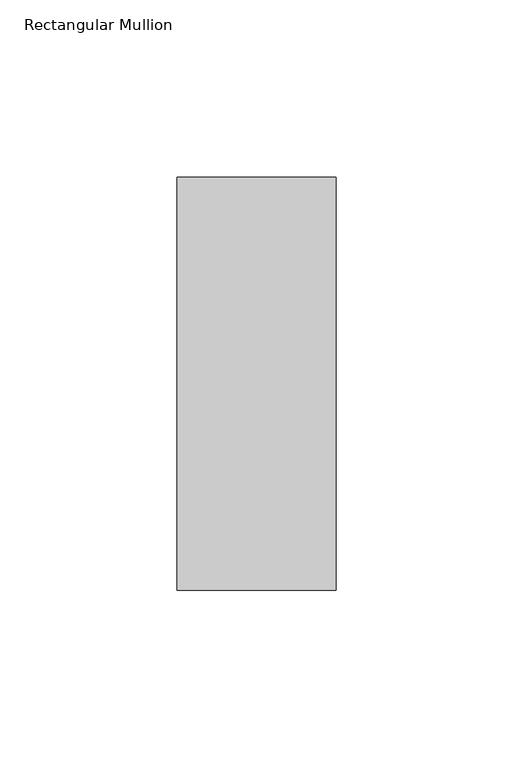
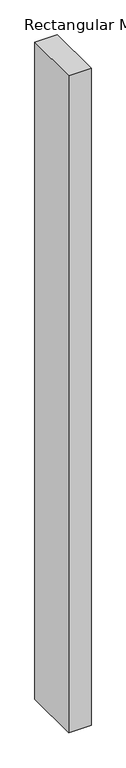
"""IFC4 building model written with IfcOpenShell, lengths in millimetres: member geometry, Rectangular Mullion."""

from ifc_helpers import new_model, si_unit, frame, origin, place, context, project, spatial, polyline, outline, extrude, source, transform, mapped, element, save


def rectangular_mullion_1e8ac921(model_context):
    return source(origin(), model_context, "Body", "SweptSolid", [
        extrude(outline(polyline([(22.5226562, 73.875), (22.5226562, -42.8257813), (-22.5226562, -42.8257813), (-22.5226562, 73.875), (22.5226562, 73.875)])), frame((0.0, 0.0, -1391.046875), z_axis=(0.0, 0.0, 1.0), x_axis=(1.0, 0.0, 0.0)), (0.0, 0.0, 1.0), 1391.046875),
    ])


if __name__ == "__main__":
    model = new_model("IFC4")
    model_context = context("Model", 3, world=origin())
    ifc_project = project(units=[si_unit("LENGTHUNIT", "METRE", prefix="MILLI")], contexts=[model_context])
    site = spatial("IfcSite", under=ifc_project)
    building = spatial("IfcBuilding", under=site)
    placement = place(None, origin())
    rectangular_mullion_shape = rectangular_mullion_1e8ac921(model_context)
    element("IfcMember", 1, ObjectType="Rectangular Mullion", at=placement, inside=building, context=model_context, shape_type="MappedRepresentation", body=[
        mapped(rectangular_mullion_shape, transform((0.0, 0.0, 0.0), x_axis=(1.0, 0.0, 0.0), y_axis=(0.0, 1.0, 0.0), z_axis=(0.0, 0.0, 1.0))),
    ])
    save(model, "model.ifc")
